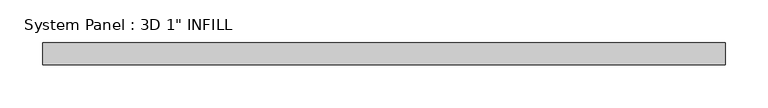
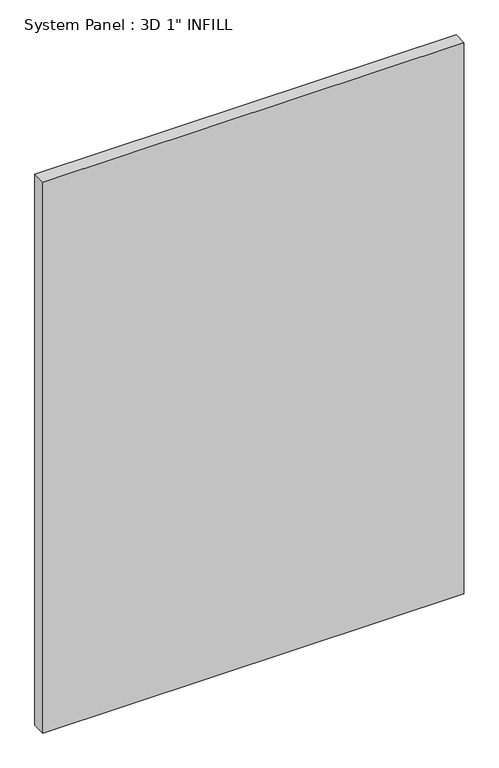
"""IFC4 building model written with IfcOpenShell, lengths in millimetres: plate geometry."""

from ifc_helpers import new_model, si_unit, origin, origin_with_axes, place, context, project, spatial, polyline, outline, extrude, source, transform, mapped, element, save


def plate_5aec166c(model_context):
    return source(origin(), model_context, "Body", "SweptSolid", [
        extrude(outline(polyline([(397.1089947, -12.7), (-397.1089947, -12.7), (-397.1089947, 12.7), (397.1089947, 12.7), (397.1089947, -12.7)])), origin_with_axes(), (0.0, 0.0, 1.0), 1098.5368942),
    ])


if __name__ == "__main__":
    model = new_model("IFC4")
    model_context = context("Model", 3, world=origin())
    ifc_project = project(units=[si_unit("LENGTHUNIT", "METRE", prefix="MILLI")], contexts=[model_context])
    site = spatial("IfcSite", under=ifc_project)
    building = spatial("IfcBuilding", under=site)
    placement = place(None, origin())
    plate_shape = plate_5aec166c(model_context)
    element("IfcPlate", 1, ObjectType="System Panel : 3D 1\" INFILL", at=placement, inside=building, context=model_context, shape_type="MappedRepresentation", body=[
        mapped(plate_shape, transform((0.0, 0.0, 0.0), x_axis=(1.0, 0.0, 0.0), y_axis=(0.0, 1.0, 0.0), z_axis=(0.0, 0.0, 1.0))),
    ])
    save(model, "model.ifc")
